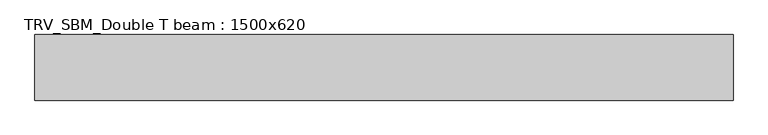
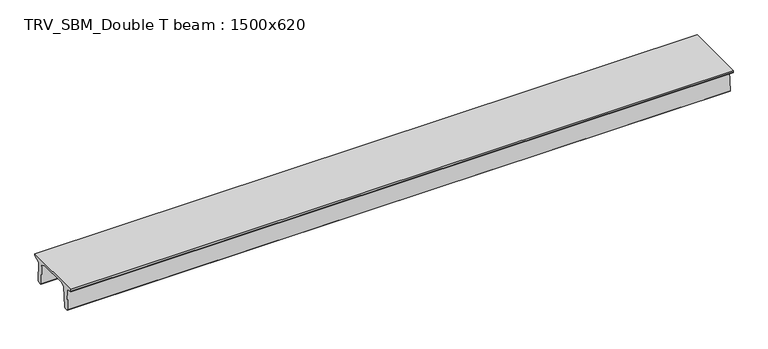
"""IFC4 building model written with IfcOpenShell, lengths in millimetres: beam geometry, TRV_SBM_Double T beam : 1500x620."""

from ifc_helpers import new_model, si_unit, frame, origin, place, context, project, spatial, polyline, outline, extrude, source, transform, mapped, element, save


def trv_sbm_double_t_beam_1500x620_09cafbd1(model_context):
    return source(origin(), model_context, "Body", "SweptSolid", [
        extrude(outline(polyline([(-765.0, 215.0), (-765.0, 260.0), (735.0, 260.0), (735.0, 215.0), (728.2094488, 201.315559), (578.0626443, 140.6523122), (594.8277662, -339.4379646), (574.2657308, -360.0), (484.2657308, -360.0), (464.786332, -340.5206011), (447.8600761, 144.18395), (338.3237744, 210.0), (-367.4555014, 210.0), (-476.5389732, 151.9992892), (-507.0080378, -339.3850967), (-527.622941, -360.0), (-615.122941, -360.0), (-637.1143055, -338.0086356), (-606.1572167, 162.687806), (-761.3068466, 204.260024), (-765.0, 215.0)])), frame((-7978.0, 0.0, 0.0), z_axis=(1.0, 0.0, 0.0), x_axis=(0.0, 1.0, 0.0)), (0.0, 0.0, 1.0), 15956.0),
    ])


if __name__ == "__main__":
    model = new_model("IFC4")
    model_context = context("Model", 3, world=origin())
    ifc_project = project(units=[si_unit("LENGTHUNIT", "METRE", prefix="MILLI")], contexts=[model_context])
    site = spatial("IfcSite", under=ifc_project)
    building = spatial("IfcBuilding", under=site)
    placement = place(None, origin())
    trv_sbm_double_t_beam_1500x620_shape = trv_sbm_double_t_beam_1500x620_09cafbd1(model_context)
    element("IfcBeam", 1, ObjectType="TRV_SBM_Double T beam : 1500x620", at=placement, inside=building, context=model_context, shape_type="MappedRepresentation", body=[
        mapped(trv_sbm_double_t_beam_1500x620_shape, transform((0.0, 0.0, 0.0), x_axis=(1.0, 0.0, 0.0), y_axis=(0.0, 1.0, 0.0), z_axis=(0.0, 0.0, 1.0))),
    ])
    save(model, "model.ifc")
